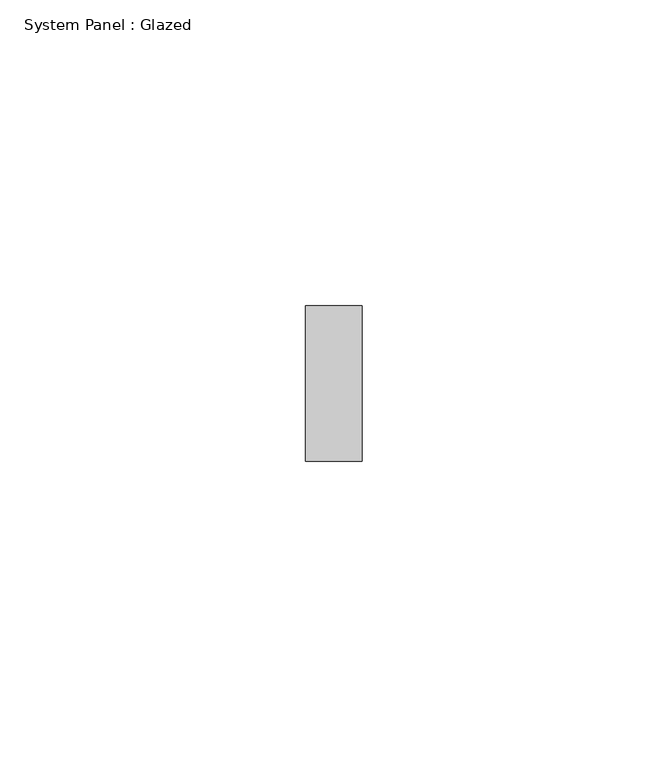
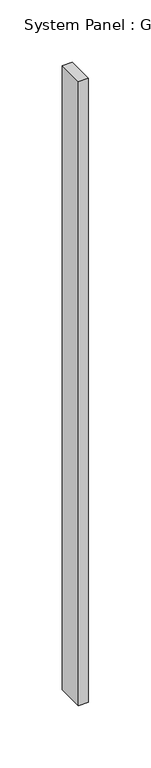
"""IFC4 building model written with IfcOpenShell, lengths in millimetres: plate geometry, System Panel : Glazed."""

import ifcopenshell
import ifcopenshell.guid

model = None  # the IFC model being written
_history = None  # IfcOwnerHistory: only IFC2X3 demands one
_inside = {}  # id of a spatial element -> (the spatial element, [elements in it])
_under = {}  # id of a project, library or spatial element -> (it, [spatial elements below it])
_declared = {}  # id of a project -> (the project, [libraries it declares])
_typed = {}  # id of a type object -> (the type object, [elements of that type])
_made_of = {}  # id of a material, layer set ... -> (it, [elements and type objects made of it])


def new_model(schema):
    """Start an empty IFC model of exactly this schema.

    Asked for "IFC4X3", IfcOpenShell would pick the latest addendum, in which some entities
    have other attributes; the version numbers below select the first issue.
    IFC2X3 requires an IfcOwnerHistory on every rooted entity: one is made here for all.
    """
    global model, _history
    if schema == "IFC4X3":
        model = ifcopenshell.file(schema_version=(4, 3, 0, 0))
    else:
        model = ifcopenshell.file(schema=schema)
    _inside.clear()
    _under.clear()
    _declared.clear()
    _typed.clear()
    _made_of.clear()
    _history = None
    if model.schema == "IFC2X3":
        org = make("IfcOrganization", Name="unknown")
        user = make(
            "IfcPersonAndOrganization",
            ThePerson=make("IfcPerson", FamilyName="unknown"),
            TheOrganization=org,
        )
        app = make(
            "IfcApplication",
            ApplicationDeveloper=org,
            Version="unknown",
            ApplicationFullName="unknown",
            ApplicationIdentifier="unknown",
        )
        _history = make(
            "IfcOwnerHistory",
            OwningUser=user,
            OwningApplication=app,
            ChangeAction="ADDED",
            CreationDate=0,
        )
    return model


def make(cls, **values):
    """One entity of the class cls with the attributes given. An attribute that is None is left unset."""
    return model.create_entity(
        cls, **{name: value for name, value in values.items() if value is not None}
    )


def rooted(cls, **values):
    """An entity with a GlobalId (a new one), such as an element, a storey or a relation."""
    return make(cls, GlobalId=ifcopenshell.guid.new(), OwnerHistory=_history, **values)


def si_unit(unit_type, name, prefix=None):
    """IfcSIUnit, for example si_unit("LENGTHUNIT", "METRE", prefix="MILLI")."""
    return make("IfcSIUnit", UnitType=unit_type, Prefix=prefix, Name=name)


def assignment(units):
    """IfcUnitAssignment: the units of a project."""
    return None if units is None else make("IfcUnitAssignment", Units=units)


def point(xyz):
    """IfcCartesianPoint."""
    return None if xyz is None else make("IfcCartesianPoint", Coordinates=xyz)


def direction(xyz):
    """IfcDirection."""
    return None if xyz is None else make("IfcDirection", DirectionRatios=xyz)


def frame(location, z_axis=None, x_axis=None):
    """IfcAxis2Placement3D, a coordinate frame: its origin and axes. An axis left out is left unset."""
    return make(
        "IfcAxis2Placement3D",
        Location=point(location),
        Axis=direction(z_axis),
        RefDirection=direction(x_axis),
    )


def origin():
    """The frame at (0, 0, 0) with its axes left unset."""
    return frame((0.0, 0.0, 0.0))


def origin_with_axes():
    """The frame at (0, 0, 0) with the z axis (0, 0, 1) and the x axis (1, 0, 0) written out."""
    return frame((0.0, 0.0, 0.0), z_axis=(0.0, 0.0, 1.0), x_axis=(1.0, 0.0, 0.0))


def place(relative_to, where):
    """IfcLocalPlacement: puts the frame where relative to a parent placement (None: the world)."""
    return make(
        "IfcLocalPlacement", PlacementRelTo=relative_to, RelativePlacement=where
    )


def context(
    kind, dimensions, precision=None, world=None, true_north=None, identifier=None
):
    """IfcGeometricRepresentationContext, for example the 3D "Model" context."""
    return make(
        "IfcGeometricRepresentationContext",
        ContextIdentifier=identifier,
        ContextType=kind,
        CoordinateSpaceDimension=dimensions,
        Precision=precision,
        WorldCoordinateSystem=world,
        TrueNorth=true_north,
    )


def project(units=None, contexts=None):
    """IfcProject with its units and contexts."""
    return rooted(
        "IfcProject",
        Name="project",
        RepresentationContexts=contexts,
        UnitsInContext=assignment(units),
    )


def spatial(cls, under=None, at=None, **own):
    """A site, building, storey or space (cls), placed at a placement, below another one or the project."""
    s = rooted(cls, ObjectPlacement=at, **own)
    if under is not None:
        _under.setdefault(under.id(), (under, []))[1].append(s)
    return s


def polyline(points):
    """IfcPolyline through the points."""
    return make("IfcPolyline", Points=[point(p) for p in points])


def outline(outer, holes=None, kind="AREA"):
    """IfcArbitraryClosedProfileDef: a profile drawn as a closed curve; with holes, ...WithVoids."""
    if holes is None:
        return make("IfcArbitraryClosedProfileDef", ProfileType=kind, OuterCurve=outer)
    return make(
        "IfcArbitraryProfileDefWithVoids",
        ProfileType=kind,
        OuterCurve=outer,
        InnerCurves=holes,
    )


def extrude(swept, where, along, depth):
    """IfcExtrudedAreaSolid: the profile swept, set in the frame where, extruded along a direction by depth."""
    return make(
        "IfcExtrudedAreaSolid",
        SweptArea=swept,
        Position=where,
        ExtrudedDirection=direction(along),
        Depth=depth,
    )


def shape(context_of_items, identifier, shape_type, items):
    """IfcShapeRepresentation: the items that make up one representation, for example the "Body"."""
    return make(
        "IfcShapeRepresentation",
        ContextOfItems=context_of_items,
        RepresentationIdentifier=identifier,
        RepresentationType=shape_type,
        Items=items,
    )


def source(mapping_origin, context_of_items, identifier, shape_type, items):
    """IfcRepresentationMap: a shape defined once, which mapped items show again and again."""
    return make(
        "IfcRepresentationMap",
        MappingOrigin=mapping_origin,
        MappedRepresentation=shape(context_of_items, identifier, shape_type, items),
    )


def transform(
    local_origin,
    x_axis=None,
    y_axis=None,
    z_axis=None,
    scale=None,
    scale2=None,
    scale3=None,
    uniform=True,
):
    """IfcCartesianTransformationOperator3D, or its non-uniform kind. x_axis, y_axis, z_axis: its Axis1, 2, 3."""
    if uniform:
        return make(
            "IfcCartesianTransformationOperator3D",
            Axis1=direction(x_axis),
            Axis2=direction(y_axis),
            LocalOrigin=point(local_origin),
            Scale=scale,
            Axis3=direction(z_axis),
        )
    return make(
        "IfcCartesianTransformationOperator3DnonUniform",
        Axis1=direction(x_axis),
        Axis2=direction(y_axis),
        LocalOrigin=point(local_origin),
        Scale=scale,
        Axis3=direction(z_axis),
        Scale2=scale2,
        Scale3=scale3,
    )


def mapped(mapping_source, mapping_target):
    """IfcMappedItem: shows the shape of a source again, moved by a transform."""
    return make(
        "IfcMappedItem", MappingSource=mapping_source, MappingTarget=mapping_target
    )


def made_of(thing, what):
    """Note that an element or type object is made of a material, layer set ...; save() writes the relation."""
    if what is not None:
        _made_of.setdefault(what.id(), (what, []))[1].append(thing)
    return thing


def element(
    cls,
    number,
    at=None,
    inside=None,
    cuts=None,
    type_object=None,
    material=None,
    context=None,
    identifier="Body",
    shape_type=None,
    held_by="IfcProductDefinitionShape",
    body=None,
    shapes=None,
    **own,
):
    """One element of the class cls, such as IfcWall. Its Tag is "e" and its number.

    at: its placement. inside: the storey or other place that contains it. cuts: it is an
    opening in that element (IfcRelVoidsElement). A single representation is given by context,
    identifier, shape_type and body (its items); several are given by shapes. held_by: the class
    of the entity that holds the representations. save() writes the other relations.
    """
    e = rooted(cls, Tag="e%d" % number, ObjectPlacement=at, **own)
    if body is not None:
        shapes = [shape(context, identifier, shape_type, body)]
    if shapes is not None:
        e.Representation = make(held_by, Representations=shapes)
    if inside is not None:
        _inside.setdefault(inside.id(), (inside, []))[1].append(e)
    if cuts is not None:
        rooted(
            "IfcRelVoidsElement", RelatingBuildingElement=cuts, RelatedOpeningElement=e
        )
    if type_object is not None:
        _typed.setdefault(type_object.id(), (type_object, []))[1].append(e)
    return made_of(e, material)


def aggregate(whole, parts):
    """IfcRelAggregates: a whole, such as a stair, and the parts it consists of."""
    return rooted("IfcRelAggregates", RelatingObject=whole, RelatedObjects=parts)


def save(model, path):
    """Write the relations noted so far, then the file.

    IfcRelAggregates (storeys below a building ...), IfcRelContainedInSpatialStructure (elements
    in a storey), IfcRelDefinesByType, IfcRelAssociatesMaterial and IfcRelDeclares: one each for
    every whole, place, type object, material and project.
    """
    for whole, parts in _under.values():
        aggregate(whole, parts)
    for where, things in _inside.values():
        rooted(
            "IfcRelContainedInSpatialStructure",
            RelatedElements=things,
            RelatingStructure=where,
        )
    for kind, things in _typed.values():
        rooted("IfcRelDefinesByType", RelatedObjects=things, RelatingType=kind)
    for what, things in _made_of.values():
        rooted("IfcRelAssociatesMaterial", RelatedObjects=things, RelatingMaterial=what)
    for by, libraries in _declared.values():
        rooted("IfcRelDeclares", RelatingContext=by, RelatedDefinitions=libraries)
    model.write(path)


def system_panel_glazed_b8323001(model_context):
    return source(origin(), model_context, "Body", "SweptSolid", [
        extrude(outline(polyline([(4.6013366, 19.05), (-4.6013366, 19.05), (-4.6013366, 44.45), (4.6013366, 44.45), (4.6013366, 19.05)])), origin_with_axes(), (0.0, 0.0, 1.0), 609.6),
    ])


if __name__ == "__main__":
    model = new_model("IFC4")
    model_context = context("Model", 3, world=origin())
    ifc_project = project(units=[si_unit("LENGTHUNIT", "METRE", prefix="MILLI")], contexts=[model_context])
    site = spatial("IfcSite", under=ifc_project)
    building = spatial("IfcBuilding", under=site)
    placement = place(None, origin())
    system_panel_glazed_shape = system_panel_glazed_b8323001(model_context)
    element("IfcPlate", 1, ObjectType="System Panel : Glazed", at=placement, inside=building, context=model_context, shape_type="MappedRepresentation", body=[
        mapped(system_panel_glazed_shape, transform((0.0, 0.0, 0.0), x_axis=(1.0, 0.0, 0.0), y_axis=(0.0, 1.0, 0.0), z_axis=(0.0, 0.0, 1.0))),
    ])
    save(model, "model.ifc")
